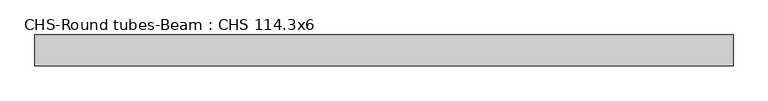
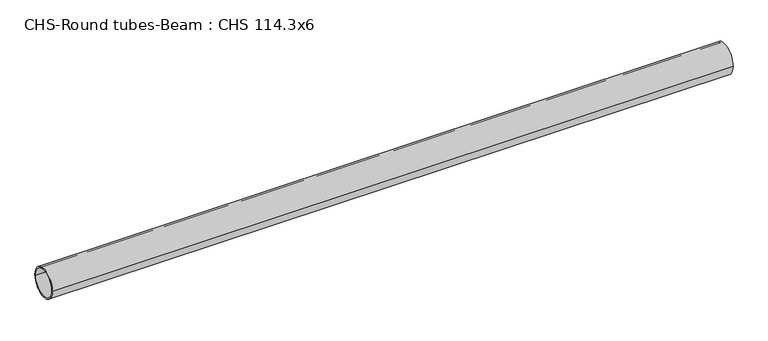
"""IFC4 building model written with IfcOpenShell, lengths in millimetres: beam geometry, CHS-Round tubes-Beam : CHS 114.3x6."""

from ifc_helpers import new_model, si_unit, point, frame, origin, origin_2d, place, context, project, spatial, circle_curve, trimmed, segment, composite_curve, outline, extrude, source, transform, mapped, element, save


def chs_round_tubes_beam_chs_114_3x6_0d61d201(model_context):
    return source(origin(), model_context, "Body", "SweptSolid", [
        extrude(outline(composite_curve([segment(trimmed(circle_curve(origin_2d(), 57.15), [point((57.15, 0.0))], [point((-57.15, 0.0))], False, "CARTESIAN"), True, "CONTINUOUS"), segment(trimmed(circle_curve(origin_2d(), 57.15), [point((-57.15, 0.0))], [point((57.15, 0.0))], False, "CARTESIAN"), True, "CONTINUOUS")], self_intersect=False), holes=[composite_curve([segment(trimmed(circle_curve(origin_2d(), 51.15), [point((51.15, 0.0))], [point((-51.15, 0.0))], True, "CARTESIAN"), True, "CONTINUOUS"), segment(trimmed(circle_curve(origin_2d(), 51.15), [point((-51.15, 0.0))], [point((51.15, 0.0))], True, "CARTESIAN"), True, "CONTINUOUS")], self_intersect=False)]), frame((-1248.5362125, 0.0, 0.0), z_axis=(1.0, 0.0, 0.0), x_axis=(0.0, 1.0, 0.0)), (0.0, 0.0, 1.0), 2577.8491399),
    ])


if __name__ == "__main__":
    model = new_model("IFC4")
    model_context = context("Model", 3, world=origin())
    ifc_project = project(units=[si_unit("LENGTHUNIT", "METRE", prefix="MILLI")], contexts=[model_context])
    site = spatial("IfcSite", under=ifc_project)
    building = spatial("IfcBuilding", under=site)
    placement = place(None, origin())
    chs_round_tubes_beam_chs_114_3x6_shape = chs_round_tubes_beam_chs_114_3x6_0d61d201(model_context)
    element("IfcBeam", 1, ObjectType="CHS-Round tubes-Beam : CHS 114.3x6", at=placement, inside=building, context=model_context, shape_type="MappedRepresentation", body=[
        mapped(chs_round_tubes_beam_chs_114_3x6_shape, transform((0.0, 0.0, 0.0), x_axis=(1.0, 0.0, 0.0), y_axis=(0.0, 1.0, 0.0), z_axis=(0.0, 0.0, 1.0))),
    ])
    save(model, "model.ifc")
